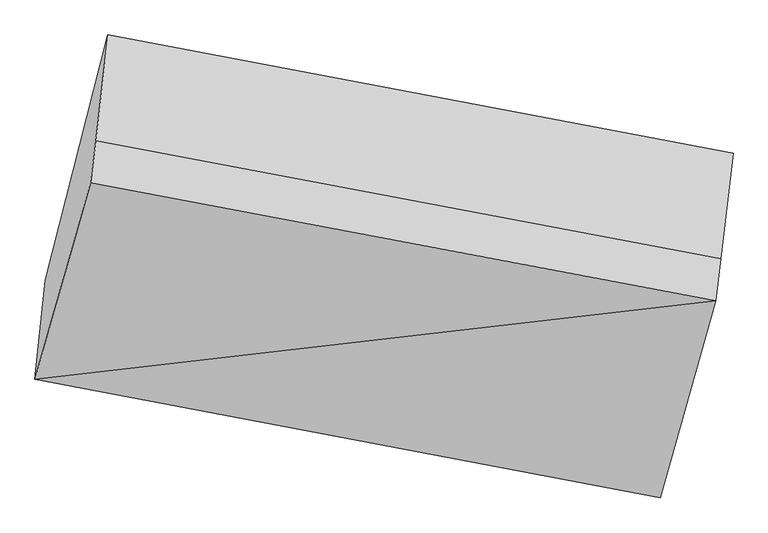
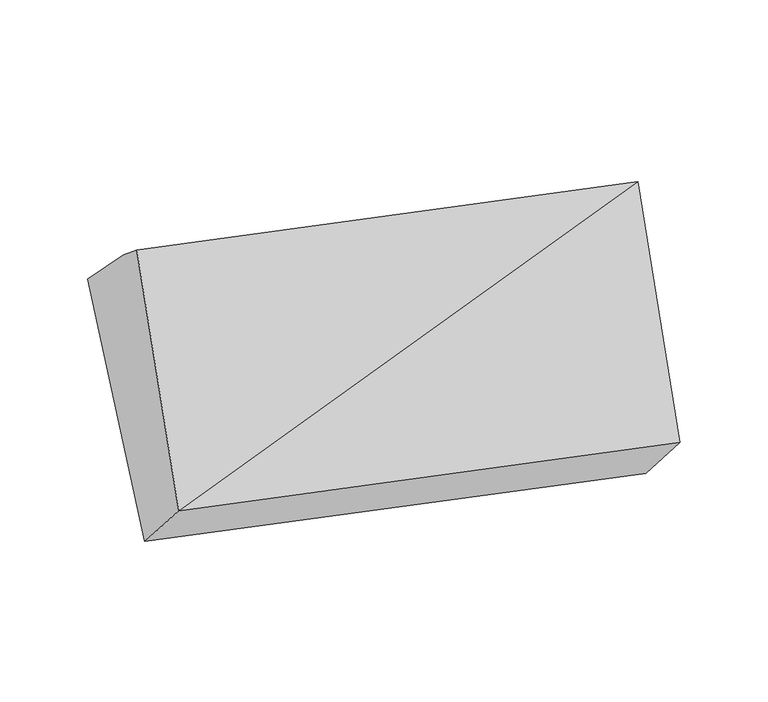
"""IFC4 building model written with IfcOpenShell, lengths in millimetres: proxy geometry."""

import ifcopenshell
import ifcopenshell.guid

model = None  # the IFC model being written
_history = None  # IfcOwnerHistory: only IFC2X3 demands one
_inside = {}  # id of a spatial element -> (the spatial element, [elements in it])
_under = {}  # id of a project, library or spatial element -> (it, [spatial elements below it])
_declared = {}  # id of a project -> (the project, [libraries it declares])
_typed = {}  # id of a type object -> (the type object, [elements of that type])
_made_of = {}  # id of a material, layer set ... -> (it, [elements and type objects made of it])


def new_model(schema):
    """Start an empty IFC model of exactly this schema.

    Asked for "IFC4X3", IfcOpenShell would pick the latest addendum, in which some entities
    have other attributes; the version numbers below select the first issue.
    IFC2X3 requires an IfcOwnerHistory on every rooted entity: one is made here for all.
    """
    global model, _history
    if schema == "IFC4X3":
        model = ifcopenshell.file(schema_version=(4, 3, 0, 0))
    else:
        model = ifcopenshell.file(schema=schema)
    _inside.clear()
    _under.clear()
    _declared.clear()
    _typed.clear()
    _made_of.clear()
    _history = None
    if model.schema == "IFC2X3":
        org = make("IfcOrganization", Name="unknown")
        user = make(
            "IfcPersonAndOrganization",
            ThePerson=make("IfcPerson", FamilyName="unknown"),
            TheOrganization=org,
        )
        app = make(
            "IfcApplication",
            ApplicationDeveloper=org,
            Version="unknown",
            ApplicationFullName="unknown",
            ApplicationIdentifier="unknown",
        )
        _history = make(
            "IfcOwnerHistory",
            OwningUser=user,
            OwningApplication=app,
            ChangeAction="ADDED",
            CreationDate=0,
        )
    return model


def make(cls, **values):
    """One entity of the class cls with the attributes given. An attribute that is None is left unset."""
    return model.create_entity(
        cls, **{name: value for name, value in values.items() if value is not None}
    )


def rooted(cls, **values):
    """An entity with a GlobalId (a new one), such as an element, a storey or a relation."""
    return make(cls, GlobalId=ifcopenshell.guid.new(), OwnerHistory=_history, **values)


def si_unit(unit_type, name, prefix=None):
    """IfcSIUnit, for example si_unit("LENGTHUNIT", "METRE", prefix="MILLI")."""
    return make("IfcSIUnit", UnitType=unit_type, Prefix=prefix, Name=name)


def assignment(units):
    """IfcUnitAssignment: the units of a project."""
    return None if units is None else make("IfcUnitAssignment", Units=units)


def point(xyz):
    """IfcCartesianPoint."""
    return None if xyz is None else make("IfcCartesianPoint", Coordinates=xyz)


def direction(xyz):
    """IfcDirection."""
    return None if xyz is None else make("IfcDirection", DirectionRatios=xyz)


def frame(location, z_axis=None, x_axis=None):
    """IfcAxis2Placement3D, a coordinate frame: its origin and axes. An axis left out is left unset."""
    return make(
        "IfcAxis2Placement3D",
        Location=point(location),
        Axis=direction(z_axis),
        RefDirection=direction(x_axis),
    )


def origin():
    """The frame at (0, 0, 0) with its axes left unset."""
    return frame((0.0, 0.0, 0.0))


def place(relative_to, where):
    """IfcLocalPlacement: puts the frame where relative to a parent placement (None: the world)."""
    return make(
        "IfcLocalPlacement", PlacementRelTo=relative_to, RelativePlacement=where
    )


def context(
    kind, dimensions, precision=None, world=None, true_north=None, identifier=None
):
    """IfcGeometricRepresentationContext, for example the 3D "Model" context."""
    return make(
        "IfcGeometricRepresentationContext",
        ContextIdentifier=identifier,
        ContextType=kind,
        CoordinateSpaceDimension=dimensions,
        Precision=precision,
        WorldCoordinateSystem=world,
        TrueNorth=true_north,
    )


def project(units=None, contexts=None):
    """IfcProject with its units and contexts."""
    return rooted(
        "IfcProject",
        Name="project",
        RepresentationContexts=contexts,
        UnitsInContext=assignment(units),
    )


def spatial(cls, under=None, at=None, **own):
    """A site, building, storey or space (cls), placed at a placement, below another one or the project."""
    s = rooted(cls, ObjectPlacement=at, **own)
    if under is not None:
        _under.setdefault(under.id(), (under, []))[1].append(s)
    return s


def faces_of(points, faces, orient=None, outer=None):
    """IfcFace entities. A face is a list of loops; a loop is a list of indices into points, from 0.

    orient and outer hold one flag for each loop. By default every Orientation is true, the
    first loop of a face is its IfcFaceOuterBound and the others are IfcFaceBound.
    """
    made = []
    for i, loops in enumerate(faces):
        bounds = []
        for j, loop in enumerate(loops):
            is_outer = j == 0 if outer is None else outer[i][j]
            bounds.append(
                make(
                    "IfcFaceOuterBound" if is_outer else "IfcFaceBound",
                    Bound=make("IfcPolyLoop", Polygon=[points[k] for k in loop]),
                    Orientation=True if orient is None else orient[i][j],
                )
            )
        made.append(make("IfcFace", Bounds=bounds))
    return made


def faceted_brep(points, faces, orient=None, outer=None, voids=None):
    """IfcFacetedBrep: a solid bounded by flat faces; with voids (closed shells), ...WithVoids."""
    shared = [point(p) for p in points]
    hull = make("IfcClosedShell", CfsFaces=faces_of(shared, faces, orient, outer))
    if voids is None:
        return make("IfcFacetedBrep", Outer=hull)
    return make(
        "IfcFacetedBrepWithVoids",
        Outer=hull,
        Voids=[
            make(cls, CfsFaces=faces_of(shared, fs, o, b)) for cls, fs, o, b in voids
        ],
    )


def shape(context_of_items, identifier, shape_type, items):
    """IfcShapeRepresentation: the items that make up one representation, for example the "Body"."""
    return make(
        "IfcShapeRepresentation",
        ContextOfItems=context_of_items,
        RepresentationIdentifier=identifier,
        RepresentationType=shape_type,
        Items=items,
    )


def source(mapping_origin, context_of_items, identifier, shape_type, items):
    """IfcRepresentationMap: a shape defined once, which mapped items show again and again."""
    return make(
        "IfcRepresentationMap",
        MappingOrigin=mapping_origin,
        MappedRepresentation=shape(context_of_items, identifier, shape_type, items),
    )


def transform(
    local_origin,
    x_axis=None,
    y_axis=None,
    z_axis=None,
    scale=None,
    scale2=None,
    scale3=None,
    uniform=True,
):
    """IfcCartesianTransformationOperator3D, or its non-uniform kind. x_axis, y_axis, z_axis: its Axis1, 2, 3."""
    if uniform:
        return make(
            "IfcCartesianTransformationOperator3D",
            Axis1=direction(x_axis),
            Axis2=direction(y_axis),
            LocalOrigin=point(local_origin),
            Scale=scale,
            Axis3=direction(z_axis),
        )
    return make(
        "IfcCartesianTransformationOperator3DnonUniform",
        Axis1=direction(x_axis),
        Axis2=direction(y_axis),
        LocalOrigin=point(local_origin),
        Scale=scale,
        Axis3=direction(z_axis),
        Scale2=scale2,
        Scale3=scale3,
    )


def mapped(mapping_source, mapping_target):
    """IfcMappedItem: shows the shape of a source again, moved by a transform."""
    return make(
        "IfcMappedItem", MappingSource=mapping_source, MappingTarget=mapping_target
    )


def made_of(thing, what):
    """Note that an element or type object is made of a material, layer set ...; save() writes the relation."""
    if what is not None:
        _made_of.setdefault(what.id(), (what, []))[1].append(thing)
    return thing


def element(
    cls,
    number,
    at=None,
    inside=None,
    cuts=None,
    type_object=None,
    material=None,
    context=None,
    identifier="Body",
    shape_type=None,
    held_by="IfcProductDefinitionShape",
    body=None,
    shapes=None,
    **own,
):
    """One element of the class cls, such as IfcWall. Its Tag is "e" and its number.

    at: its placement. inside: the storey or other place that contains it. cuts: it is an
    opening in that element (IfcRelVoidsElement). A single representation is given by context,
    identifier, shape_type and body (its items); several are given by shapes. held_by: the class
    of the entity that holds the representations. save() writes the other relations.
    """
    e = rooted(cls, Tag="e%d" % number, ObjectPlacement=at, **own)
    if body is not None:
        shapes = [shape(context, identifier, shape_type, body)]
    if shapes is not None:
        e.Representation = make(held_by, Representations=shapes)
    if inside is not None:
        _inside.setdefault(inside.id(), (inside, []))[1].append(e)
    if cuts is not None:
        rooted(
            "IfcRelVoidsElement", RelatingBuildingElement=cuts, RelatedOpeningElement=e
        )
    if type_object is not None:
        _typed.setdefault(type_object.id(), (type_object, []))[1].append(e)
    return made_of(e, material)


def aggregate(whole, parts):
    """IfcRelAggregates: a whole, such as a stair, and the parts it consists of."""
    return rooted("IfcRelAggregates", RelatingObject=whole, RelatedObjects=parts)


def save(model, path):
    """Write the relations noted so far, then the file.

    IfcRelAggregates (storeys below a building ...), IfcRelContainedInSpatialStructure (elements
    in a storey), IfcRelDefinesByType, IfcRelAssociatesMaterial and IfcRelDeclares: one each for
    every whole, place, type object, material and project.
    """
    for whole, parts in _under.values():
        aggregate(whole, parts)
    for where, things in _inside.values():
        rooted(
            "IfcRelContainedInSpatialStructure",
            RelatedElements=things,
            RelatingStructure=where,
        )
    for kind, things in _typed.values():
        rooted("IfcRelDefinesByType", RelatedObjects=things, RelatingType=kind)
    for what, things in _made_of.values():
        rooted("IfcRelAssociatesMaterial", RelatedObjects=things, RelatingMaterial=what)
    for by, libraries in _declared.values():
        rooted("IfcRelDeclares", RelatingContext=by, RelatedDefinitions=libraries)
    model.write(path)


def generic_models_fc484fc2(model_context):
    return source(origin(), model_context, "Body", "Brep", [
        faceted_brep([(-3863.4323777, -1759.2822902, 1780.4821998), (-3833.0779934, -1471.8058108, 1465.0992973), (-2021.5597139, -1814.1563609, 1327.3930097), (-2051.9140983, -2101.6328403, 1642.7759122), (-3702.1289585, -1188.7092116, 2483.9220117), (-1890.6106791, -1531.0597617, 2346.215724), (-3686.9378025, -1067.3209164, 2381.978281), (-1875.419523, -1409.6714665, 2244.2719934), (-3651.6609095, -760.8694357, 2084.1770891), (-1840.1426301, -1103.2199858, 1946.4708015)], [[[0, 1, 2, 3]], [[4, 0, 5]], [[6, 4, 5, 7]], [[8, 6, 7, 9]], [[1, 8, 9, 2]], [[7, 5, 3, 2, 9]], [[1, 0, 4, 6, 8]], [[3, 5, 0]]]),
    ])


if __name__ == "__main__":
    model = new_model("IFC4")
    model_context = context("Model", 3, world=origin())
    ifc_project = project(units=[si_unit("LENGTHUNIT", "METRE", prefix="MILLI")], contexts=[model_context])
    site = spatial("IfcSite", under=ifc_project)
    building = spatial("IfcBuilding", under=site)
    placement = place(None, origin())
    generic_models_shape = generic_models_fc484fc2(model_context)
    element("IfcBuildingElementProxy", 1, Name="Generic Models", at=placement, inside=building, context=model_context, shape_type="MappedRepresentation", body=[
        mapped(generic_models_shape, transform((0.0, 0.0, 0.0), x_axis=(1.0, 0.0, 0.0), y_axis=(0.0, 1.0, 0.0), z_axis=(0.0, 0.0, 1.0))),
    ])
    save(model, "model.ifc")
